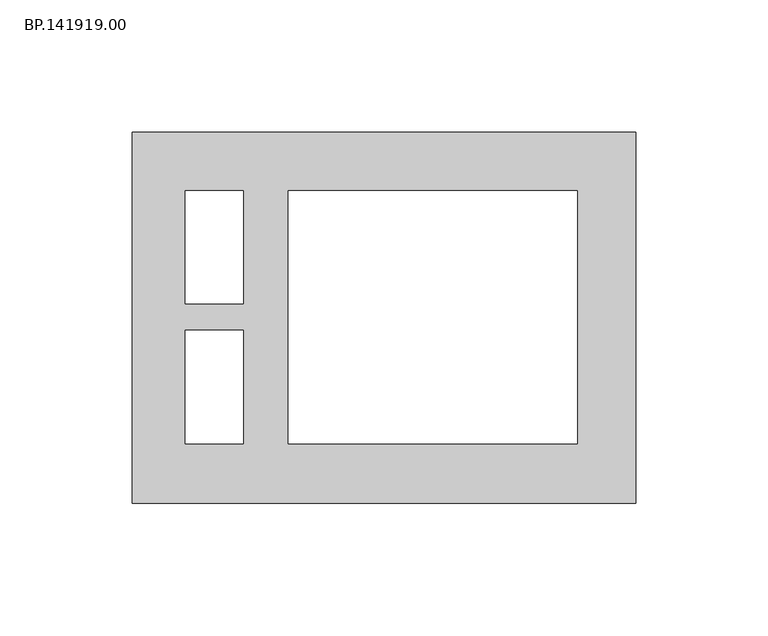
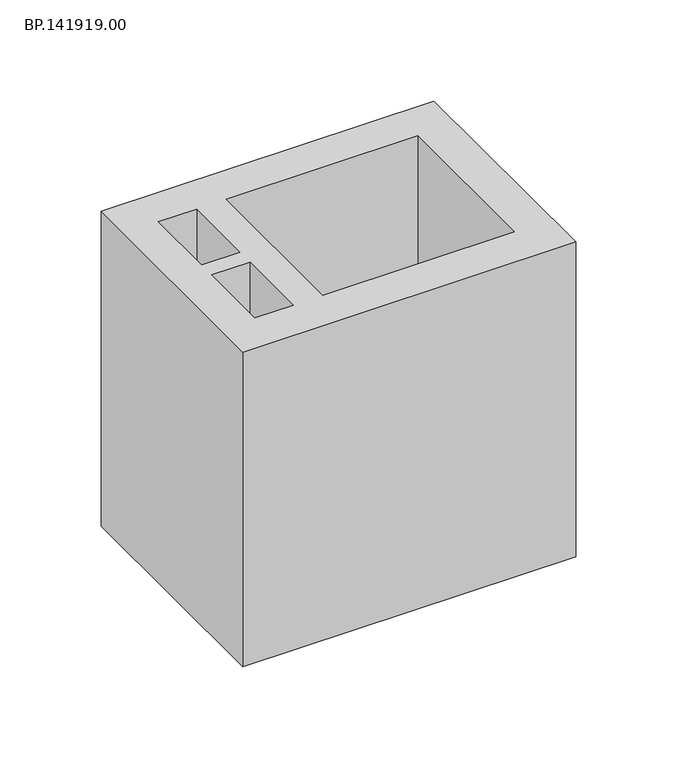
"""IFC4 building model written with IfcOpenShell, lengths in millimetres: proxy geometry, BP.141919.00."""

import ifcopenshell
import ifcopenshell.guid

model = None  # the IFC model being written
_history = None  # IfcOwnerHistory: only IFC2X3 demands one
_inside = {}  # id of a spatial element -> (the spatial element, [elements in it])
_under = {}  # id of a project, library or spatial element -> (it, [spatial elements below it])
_declared = {}  # id of a project -> (the project, [libraries it declares])
_typed = {}  # id of a type object -> (the type object, [elements of that type])
_made_of = {}  # id of a material, layer set ... -> (it, [elements and type objects made of it])


def new_model(schema):
    """Start an empty IFC model of exactly this schema.

    Asked for "IFC4X3", IfcOpenShell would pick the latest addendum, in which some entities
    have other attributes; the version numbers below select the first issue.
    IFC2X3 requires an IfcOwnerHistory on every rooted entity: one is made here for all.
    """
    global model, _history
    if schema == "IFC4X3":
        model = ifcopenshell.file(schema_version=(4, 3, 0, 0))
    else:
        model = ifcopenshell.file(schema=schema)
    _inside.clear()
    _under.clear()
    _declared.clear()
    _typed.clear()
    _made_of.clear()
    _history = None
    if model.schema == "IFC2X3":
        org = make("IfcOrganization", Name="unknown")
        user = make(
            "IfcPersonAndOrganization",
            ThePerson=make("IfcPerson", FamilyName="unknown"),
            TheOrganization=org,
        )
        app = make(
            "IfcApplication",
            ApplicationDeveloper=org,
            Version="unknown",
            ApplicationFullName="unknown",
            ApplicationIdentifier="unknown",
        )
        _history = make(
            "IfcOwnerHistory",
            OwningUser=user,
            OwningApplication=app,
            ChangeAction="ADDED",
            CreationDate=0,
        )
    return model


def make(cls, **values):
    """One entity of the class cls with the attributes given. An attribute that is None is left unset."""
    return model.create_entity(
        cls, **{name: value for name, value in values.items() if value is not None}
    )


def rooted(cls, **values):
    """An entity with a GlobalId (a new one), such as an element, a storey or a relation."""
    return make(cls, GlobalId=ifcopenshell.guid.new(), OwnerHistory=_history, **values)


def si_unit(unit_type, name, prefix=None):
    """IfcSIUnit, for example si_unit("LENGTHUNIT", "METRE", prefix="MILLI")."""
    return make("IfcSIUnit", UnitType=unit_type, Prefix=prefix, Name=name)


def assignment(units):
    """IfcUnitAssignment: the units of a project."""
    return None if units is None else make("IfcUnitAssignment", Units=units)


def point(xyz):
    """IfcCartesianPoint."""
    return None if xyz is None else make("IfcCartesianPoint", Coordinates=xyz)


def direction(xyz):
    """IfcDirection."""
    return None if xyz is None else make("IfcDirection", DirectionRatios=xyz)


def frame(location, z_axis=None, x_axis=None):
    """IfcAxis2Placement3D, a coordinate frame: its origin and axes. An axis left out is left unset."""
    return make(
        "IfcAxis2Placement3D",
        Location=point(location),
        Axis=direction(z_axis),
        RefDirection=direction(x_axis),
    )


def origin():
    """The frame at (0, 0, 0) with its axes left unset."""
    return frame((0.0, 0.0, 0.0))


def origin_with_axes():
    """The frame at (0, 0, 0) with the z axis (0, 0, 1) and the x axis (1, 0, 0) written out."""
    return frame((0.0, 0.0, 0.0), z_axis=(0.0, 0.0, 1.0), x_axis=(1.0, 0.0, 0.0))


def place(relative_to, where):
    """IfcLocalPlacement: puts the frame where relative to a parent placement (None: the world)."""
    return make(
        "IfcLocalPlacement", PlacementRelTo=relative_to, RelativePlacement=where
    )


def context(
    kind, dimensions, precision=None, world=None, true_north=None, identifier=None
):
    """IfcGeometricRepresentationContext, for example the 3D "Model" context."""
    return make(
        "IfcGeometricRepresentationContext",
        ContextIdentifier=identifier,
        ContextType=kind,
        CoordinateSpaceDimension=dimensions,
        Precision=precision,
        WorldCoordinateSystem=world,
        TrueNorth=true_north,
    )


def project(units=None, contexts=None):
    """IfcProject with its units and contexts."""
    return rooted(
        "IfcProject",
        Name="project",
        RepresentationContexts=contexts,
        UnitsInContext=assignment(units),
    )


def spatial(cls, under=None, at=None, **own):
    """A site, building, storey or space (cls), placed at a placement, below another one or the project."""
    s = rooted(cls, ObjectPlacement=at, **own)
    if under is not None:
        _under.setdefault(under.id(), (under, []))[1].append(s)
    return s


def polyline(points):
    """IfcPolyline through the points."""
    return make("IfcPolyline", Points=[point(p) for p in points])


def outline(outer, holes=None, kind="AREA"):
    """IfcArbitraryClosedProfileDef: a profile drawn as a closed curve; with holes, ...WithVoids."""
    if holes is None:
        return make("IfcArbitraryClosedProfileDef", ProfileType=kind, OuterCurve=outer)
    return make(
        "IfcArbitraryProfileDefWithVoids",
        ProfileType=kind,
        OuterCurve=outer,
        InnerCurves=holes,
    )


def extrude(swept, where, along, depth):
    """IfcExtrudedAreaSolid: the profile swept, set in the frame where, extruded along a direction by depth."""
    return make(
        "IfcExtrudedAreaSolid",
        SweptArea=swept,
        Position=where,
        ExtrudedDirection=direction(along),
        Depth=depth,
    )


def shape(context_of_items, identifier, shape_type, items):
    """IfcShapeRepresentation: the items that make up one representation, for example the "Body"."""
    return make(
        "IfcShapeRepresentation",
        ContextOfItems=context_of_items,
        RepresentationIdentifier=identifier,
        RepresentationType=shape_type,
        Items=items,
    )


def source(mapping_origin, context_of_items, identifier, shape_type, items):
    """IfcRepresentationMap: a shape defined once, which mapped items show again and again."""
    return make(
        "IfcRepresentationMap",
        MappingOrigin=mapping_origin,
        MappedRepresentation=shape(context_of_items, identifier, shape_type, items),
    )


def transform(
    local_origin,
    x_axis=None,
    y_axis=None,
    z_axis=None,
    scale=None,
    scale2=None,
    scale3=None,
    uniform=True,
):
    """IfcCartesianTransformationOperator3D, or its non-uniform kind. x_axis, y_axis, z_axis: its Axis1, 2, 3."""
    if uniform:
        return make(
            "IfcCartesianTransformationOperator3D",
            Axis1=direction(x_axis),
            Axis2=direction(y_axis),
            LocalOrigin=point(local_origin),
            Scale=scale,
            Axis3=direction(z_axis),
        )
    return make(
        "IfcCartesianTransformationOperator3DnonUniform",
        Axis1=direction(x_axis),
        Axis2=direction(y_axis),
        LocalOrigin=point(local_origin),
        Scale=scale,
        Axis3=direction(z_axis),
        Scale2=scale2,
        Scale3=scale3,
    )


def mapped(mapping_source, mapping_target):
    """IfcMappedItem: shows the shape of a source again, moved by a transform."""
    return make(
        "IfcMappedItem", MappingSource=mapping_source, MappingTarget=mapping_target
    )


def made_of(thing, what):
    """Note that an element or type object is made of a material, layer set ...; save() writes the relation."""
    if what is not None:
        _made_of.setdefault(what.id(), (what, []))[1].append(thing)
    return thing


def element(
    cls,
    number,
    at=None,
    inside=None,
    cuts=None,
    type_object=None,
    material=None,
    context=None,
    identifier="Body",
    shape_type=None,
    held_by="IfcProductDefinitionShape",
    body=None,
    shapes=None,
    **own,
):
    """One element of the class cls, such as IfcWall. Its Tag is "e" and its number.

    at: its placement. inside: the storey or other place that contains it. cuts: it is an
    opening in that element (IfcRelVoidsElement). A single representation is given by context,
    identifier, shape_type and body (its items); several are given by shapes. held_by: the class
    of the entity that holds the representations. save() writes the other relations.
    """
    e = rooted(cls, Tag="e%d" % number, ObjectPlacement=at, **own)
    if body is not None:
        shapes = [shape(context, identifier, shape_type, body)]
    if shapes is not None:
        e.Representation = make(held_by, Representations=shapes)
    if inside is not None:
        _inside.setdefault(inside.id(), (inside, []))[1].append(e)
    if cuts is not None:
        rooted(
            "IfcRelVoidsElement", RelatingBuildingElement=cuts, RelatedOpeningElement=e
        )
    if type_object is not None:
        _typed.setdefault(type_object.id(), (type_object, []))[1].append(e)
    return made_of(e, material)


def aggregate(whole, parts):
    """IfcRelAggregates: a whole, such as a stair, and the parts it consists of."""
    return rooted("IfcRelAggregates", RelatingObject=whole, RelatedObjects=parts)


def save(model, path):
    """Write the relations noted so far, then the file.

    IfcRelAggregates (storeys below a building ...), IfcRelContainedInSpatialStructure (elements
    in a storey), IfcRelDefinesByType, IfcRelAssociatesMaterial and IfcRelDeclares: one each for
    every whole, place, type object, material and project.
    """
    for whole, parts in _under.values():
        aggregate(whole, parts)
    for where, things in _inside.values():
        rooted(
            "IfcRelContainedInSpatialStructure",
            RelatedElements=things,
            RelatingStructure=where,
        )
    for kind, things in _typed.values():
        rooted("IfcRelDefinesByType", RelatedObjects=things, RelatingType=kind)
    for what, things in _made_of.values():
        rooted("IfcRelAssociatesMaterial", RelatedObjects=things, RelatingMaterial=what)
    for by, libraries in _declared.values():
        rooted("IfcRelDeclares", RelatingContext=by, RelatedDefinitions=libraries)
    model.write(path)


def bp_141919_00_8ca84b0d(model_context):
    return source(origin(), model_context, "Body", "SweptSolid", [
        extrude(outline(polyline([(194.960498, 70.0050293), (194.960498, -70.0050293), (5.0, -70.0050293), (5.0, 70.0050293), (194.960498, 70.0050293)]), holes=[polyline([(63.7499023, 48.0435791), (63.7499023, -47.5598877), (173.0269531, -47.5598877), (173.0269531, 48.0435791), (63.7499023, 48.0435791)]), polyline([(46.8393066, 5.2368896), (46.8393066, 48.0435791), (24.9057617, 48.0435791), (24.9057617, 5.2368896), (46.8393066, 5.2368896)]), polyline([(46.8393066, -4.7531982), (24.9057617, -4.7531982), (24.9057617, -47.5598877), (46.8393066, -47.5598877), (46.8393066, -4.7531982)])]), origin_with_axes(), (0.0, 0.0, 1.0), 190.0),
    ])


if __name__ == "__main__":
    model = new_model("IFC4")
    model_context = context("Model", 3, world=origin())
    ifc_project = project(units=[si_unit("LENGTHUNIT", "METRE", prefix="MILLI")], contexts=[model_context])
    site = spatial("IfcSite", under=ifc_project)
    building = spatial("IfcBuilding", under=site)
    placement = place(None, origin())
    bp_141919_00_shape = bp_141919_00_8ca84b0d(model_context)
    element("IfcBuildingElementProxy", 1, Name="BP.141919.00", ObjectType="BP.141919.00", at=placement, inside=building, context=model_context, shape_type="MappedRepresentation", body=[
        mapped(bp_141919_00_shape, transform((0.0, 0.0, 0.0), x_axis=(1.0, 0.0, 0.0), y_axis=(0.0, 1.0, 0.0), z_axis=(0.0, 0.0, 1.0))),
    ])
    save(model, "model.ifc")
